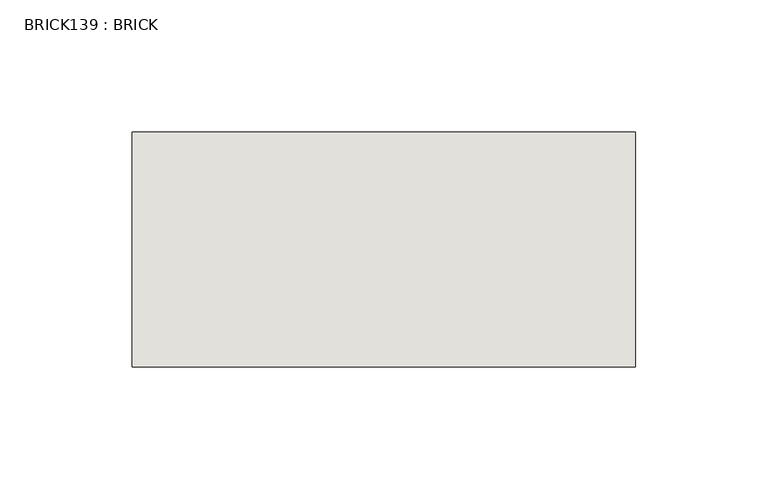
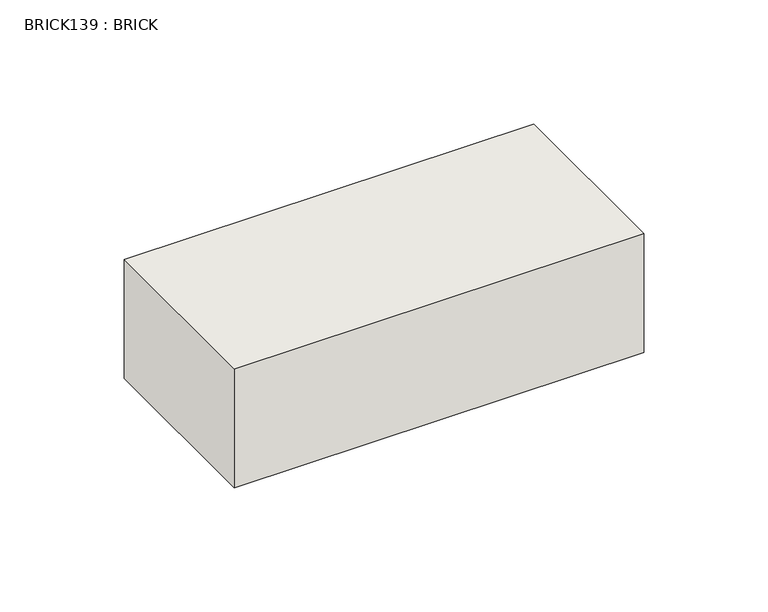
"""IFC4 building model written with IfcOpenShell, lengths in millimetres: wall geometry, BRICK139 : BRICK."""

from ifc_helpers import new_model, si_unit, frame, origin, place, context, project, spatial, polyline, outline, extrude, source, transform, mapped, element, save


def brick139_brick_d9ddbe37(model_context):
    return source(origin(), model_context, "Body", "SweptSolid", [
        extrude(outline(polyline([(122.5272594, 2586.2274125), (313.0272594, 2586.2274125), (313.0272594, 2497.3274125), (122.5272594, 2497.3274125), (122.5272594, 2586.2274125)])), frame((0.0, 0.0, 143.8671875), z_axis=(0.0, 0.0, 1.0), x_axis=(1.0, 0.0, 0.0)), (0.0, 0.0, 1.0), 58.4398437),
    ])


if __name__ == "__main__":
    model = new_model("IFC4")
    model_context = context("Model", 3, world=origin())
    ifc_project = project(units=[si_unit("LENGTHUNIT", "METRE", prefix="MILLI")], contexts=[model_context])
    site = spatial("IfcSite", under=ifc_project)
    building = spatial("IfcBuilding", under=site)
    placement = place(None, origin())
    brick139_brick_shape = brick139_brick_d9ddbe37(model_context)
    element("IfcWall", 1, ObjectType="BRICK139 : BRICK", at=placement, inside=building, context=model_context, shape_type="MappedRepresentation", body=[
        mapped(brick139_brick_shape, transform((0.0, 0.0, 0.0), x_axis=(1.0, 0.0, 0.0), y_axis=(0.0, 1.0, 0.0), z_axis=(0.0, 0.0, 1.0))),
    ])
    save(model, "model.ifc")
